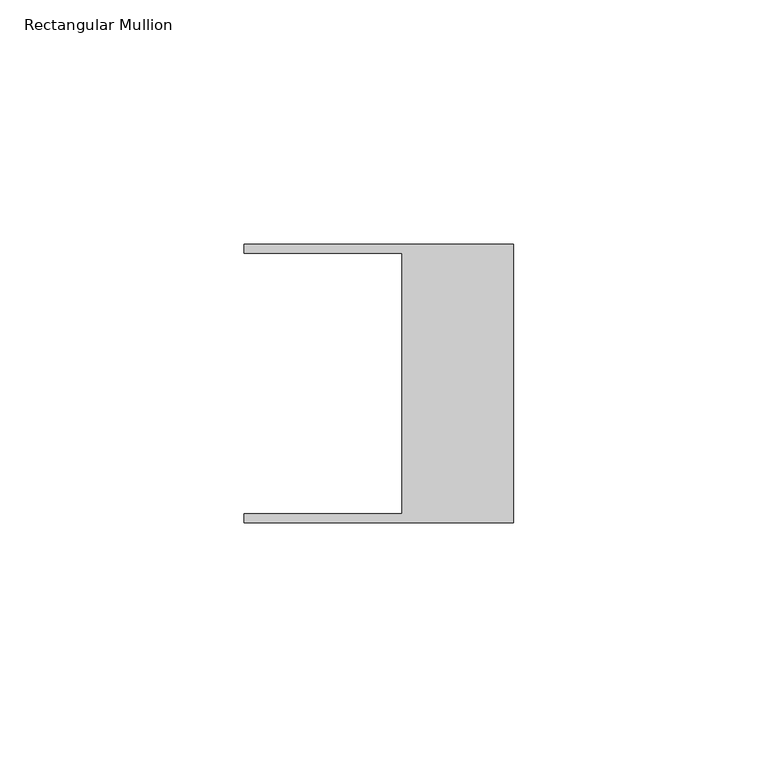
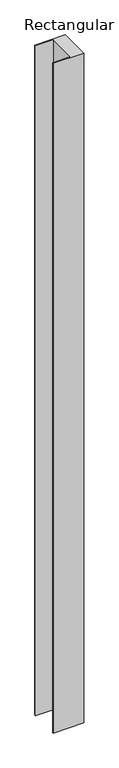
"""IFC4 building model written with IfcOpenShell, lengths in millimetres: member geometry, Rectangular Mullion."""

from ifc_helpers import new_model, si_unit, frame, origin, place, context, project, spatial, polyline, outline, extrude, source, transform, mapped, element, save


def rectangular_mullion_938ed983(model_context):
    return source(origin(), model_context, "Body", "SweptSolid", [
        extrude(outline(polyline([(-55.118, 26.67), (-55.118, 28.448), (0.0, 28.448), (0.0, -28.448), (-55.118, -28.448), (-55.118, -26.67), (-22.86, -26.67), (-22.86, 26.67), (-55.118, 26.67)])), frame((0.0, 0.0, -1276.35), z_axis=(0.0, 0.0, 1.0), x_axis=(1.0, 0.0, 0.0)), (0.0, 0.0, 1.0), 1276.35),
    ])


if __name__ == "__main__":
    model = new_model("IFC4")
    model_context = context("Model", 3, world=origin())
    ifc_project = project(units=[si_unit("LENGTHUNIT", "METRE", prefix="MILLI")], contexts=[model_context])
    site = spatial("IfcSite", under=ifc_project)
    building = spatial("IfcBuilding", under=site)
    placement = place(None, origin())
    rectangular_mullion_shape = rectangular_mullion_938ed983(model_context)
    element("IfcMember", 1, ObjectType="Rectangular Mullion", at=placement, inside=building, context=model_context, shape_type="MappedRepresentation", body=[
        mapped(rectangular_mullion_shape, transform((0.0, 0.0, 0.0), x_axis=(1.0, 0.0, 0.0), y_axis=(0.0, 1.0, 0.0), z_axis=(0.0, 0.0, 1.0))),
    ])
    save(model, "model.ifc")
